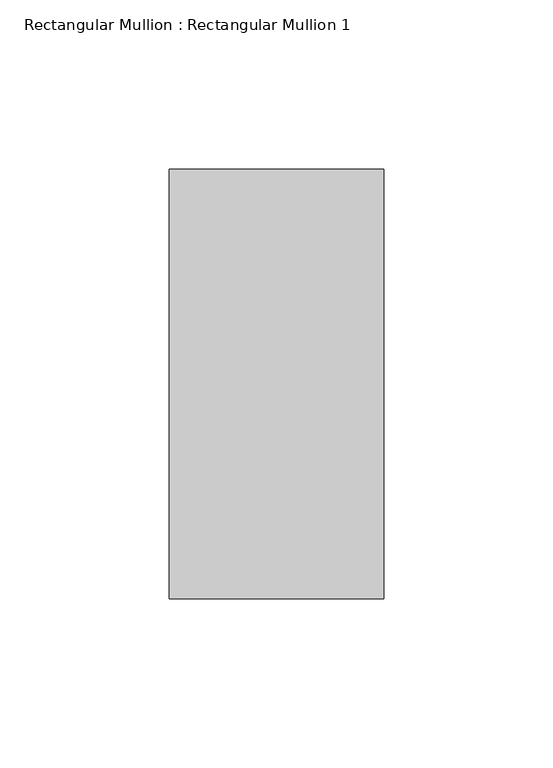
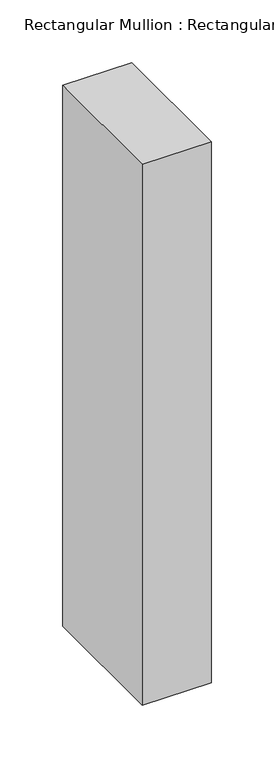
"""IFC4 building model written with IfcOpenShell, lengths in millimetres: member geometry, Rectangular Mullion : Rectangular Mullion 1."""

from ifc_helpers import new_model, si_unit, frame, origin, place, context, project, spatial, polyline, outline, extrude, source, transform, mapped, element, save


def rectangular_mullion_rectangular_mullion_1_3f1e2ae8(model_context):
    return source(origin(), model_context, "Body", "SweptSolid", [
        extrude(outline(polyline([(31.75, 63.5), (31.75, -63.5), (-31.75, -63.5), (-31.75, 63.5), (31.75, 63.5)])), frame((0.0, 0.0, -527.05), z_axis=(0.0, 0.0, 1.0), x_axis=(1.0, 0.0, 0.0)), (0.0, 0.0, 1.0), 527.05),
    ])


if __name__ == "__main__":
    model = new_model("IFC4")
    model_context = context("Model", 3, world=origin())
    ifc_project = project(units=[si_unit("LENGTHUNIT", "METRE", prefix="MILLI")], contexts=[model_context])
    site = spatial("IfcSite", under=ifc_project)
    building = spatial("IfcBuilding", under=site)
    placement = place(None, origin())
    rectangular_mullion_rectangular_mullion_1_shape = rectangular_mullion_rectangular_mullion_1_3f1e2ae8(model_context)
    element("IfcMember", 1, ObjectType="Rectangular Mullion : Rectangular Mullion 1", at=placement, inside=building, context=model_context, shape_type="MappedRepresentation", body=[
        mapped(rectangular_mullion_rectangular_mullion_1_shape, transform((0.0, 0.0, 0.0), x_axis=(1.0, 0.0, 0.0), y_axis=(0.0, 1.0, 0.0), z_axis=(0.0, 0.0, 1.0))),
    ])
    save(model, "model.ifc")
